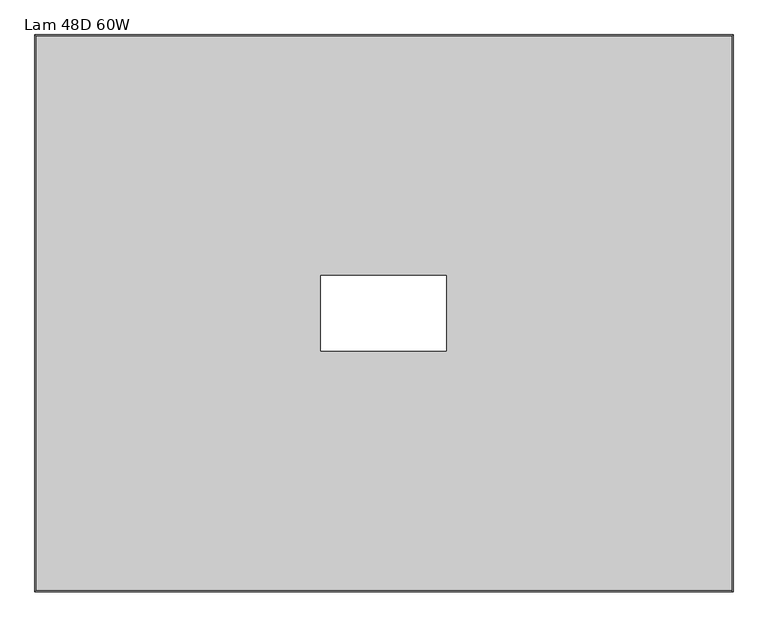
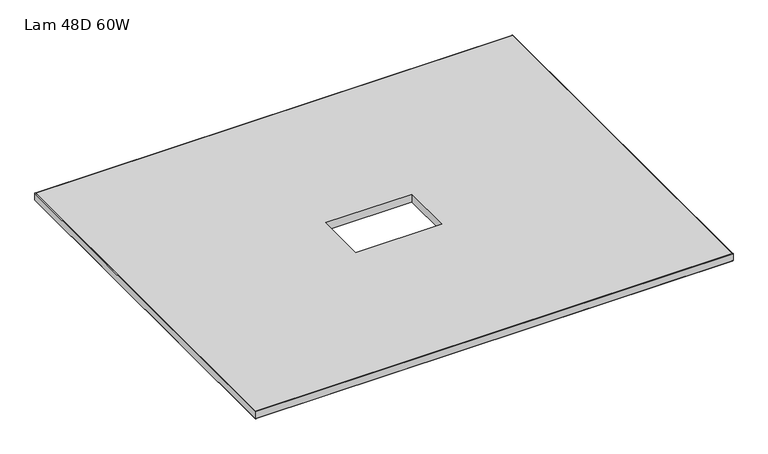
"""IFC4 building model written with IfcOpenShell, lengths in millimetres: furniture geometry, Lam 48D 60W."""

from ifc_helpers import new_model, si_unit, frame, origin, place, context, project, spatial, polyline, ellipse_curve, outline, extrude, source, transform, mapped, element, save
from ifc_brep_helpers import plane_surface, cylinder_surface, advanced_brep


def lam_48d_60w_8c9e048d(model_context):
    return source(origin(), model_context, "Body", "SolidModel", [
        advanced_brep(
        [(-397.0, 604.8248, 723.9), (-397.0, 604.8248, 698.5), (1119.3518, 604.8248, 698.5), (1119.3518, 604.8248, 723.9), (1119.3518, -604.8248, 698.5), (1119.3518, -604.8248, 723.9), (-397.0, -604.8248, 698.5), (-397.0, -604.8248, 723.9), (-398.6002, 606.425, 700.1002), (-398.6002, 606.425, 722.2998), (1120.952, 606.425, 722.2998), (1120.952, 606.425, 700.1002), (1120.952, -606.425, 722.2998), (1120.952, -606.425, 700.1002), (-398.6002, -606.425, 722.2998), (-398.6002, -606.425, 700.1002)],
        [
            (0, 1),
            (1, 2),
            (2, 3),
            (3, 0),
            (2, 4),
            (4, 5),
            (5, 3),
            (4, 6),
            (6, 7),
            (7, 5),
            (6, 1),
            (0, 7),
            (8, 9),
            (9, 10),
            (10, 11),
            (11, 8),
            (10, 12),
            (12, 13),
            (13, 11),
            (12, 14),
            (14, 15),
            (15, 13),
            (14, 9),
            (8, 15),
            (9, 0, ellipse_curve(frame((-397.0, 604.8248, 722.2998), z_axis=(0.7071067811865475, 0.7071067811865475, 0.0), x_axis=(-0.7071067811865476, 0.7071067811865474, 0.0)), 2.2630245, 1.6002)),
            (3, 10, ellipse_curve(frame((1119.3518, 604.8248, 722.2998), z_axis=(-0.7071067811865475, 0.7071067811865475, 0.0), x_axis=(-0.7071067811865476, -0.7071067811865474, 0.0)), 2.2630245, 1.6002)),
            (1, 8, ellipse_curve(frame((-397.0, 604.8248, 700.1002), z_axis=(0.7071067811865475, 0.7071067811865475, 0.0), x_axis=(-0.7071067811865476, 0.7071067811865474, 0.0)), 2.2630245, 1.6002)),
            (11, 2, ellipse_curve(frame((1119.3518, 604.8248, 700.1002), z_axis=(-0.7071067811865475, 0.7071067811865475, 0.0), x_axis=(-0.7071067811865476, -0.7071067811865474, 0.0)), 2.2630245, 1.6002)),
            (5, 12, ellipse_curve(frame((1119.3518, -604.8248, 722.2998), z_axis=(0.7071067811865475, 0.7071067811865475, 0.0), x_axis=(-0.7071067811865474, 0.7071067811865476, 0.0)), 2.2630245, 1.6002)),
            (13, 4, ellipse_curve(frame((1119.3518, -604.8248, 700.1002), z_axis=(0.7071067811865475, 0.7071067811865475, 0.0), x_axis=(-0.7071067811865474, 0.7071067811865476, 0.0)), 2.2630245, 1.6002)),
            (7, 14, ellipse_curve(frame((-397.0, -604.8248, 722.2998), z_axis=(0.7071067811865475, -0.7071067811865475, 0.0), x_axis=(0.7071067811865476, 0.7071067811865474, 0.0)), 2.2630245, 1.6002)),
            (15, 6, ellipse_curve(frame((-397.0, -604.8248, 700.1002), z_axis=(0.7071067811865475, -0.7071067811865475, 0.0), x_axis=(0.7071067811865476, 0.7071067811865474, 0.0)), 2.2630245, 1.6002)),
        ],
        [
            plane_surface(frame((-397.0, 604.8248, 698.5), z_axis=(0.0, -1.0, 0.0), x_axis=(1.0, 0.0, 0.0))),
            plane_surface(frame((1119.3518, 604.8248, 698.5), z_axis=(-1.0, 0.0, 0.0), x_axis=(0.0, -1.0, 0.0))),
            plane_surface(frame((1119.3518, -604.8248, 698.5), z_axis=(0.0, 1.0, 0.0), x_axis=(-1.0, 0.0, 0.0))),
            plane_surface(frame((-397.0, -604.8248, 698.5), z_axis=(1.0, 0.0, 0.0), x_axis=(0.0, 1.0, 0.0))),
            plane_surface(frame((-398.6002, 606.425, 722.2998), z_axis=(0.0, 1.0, 0.0), x_axis=(1.0, 0.0, 0.0))),
            plane_surface(frame((1120.952, 606.425, 722.2998), z_axis=(1.0, 0.0, 0.0), x_axis=(0.0, -1.0, 0.0))),
            plane_surface(frame((1120.952, -606.425, 722.2998), z_axis=(0.0, -1.0, 0.0), x_axis=(-1.0, 0.0, 0.0))),
            plane_surface(frame((-398.6002, -606.425, 722.2998), z_axis=(-1.0, 0.0, 0.0), x_axis=(0.0, 1.0, 0.0))),
            cylinder_surface(frame((-397.0, 604.8248, 722.2998), z_axis=(-1.0, 0.0, 0.0), x_axis=(0.0, -1.0, 0.0)), 1.6002),
            cylinder_surface(frame((-397.0, 604.8248, 700.1002), z_axis=(-1.0, 0.0, 0.0), x_axis=(0.0, -1.0, 0.0)), 1.6002),
            cylinder_surface(frame((1119.3518, 604.8248, 722.2998), z_axis=(0.0, 1.0, 0.0), x_axis=(-1.0, 0.0, 0.0)), 1.6002),
            cylinder_surface(frame((1119.3518, 604.8248, 700.1002), z_axis=(0.0, 1.0, 0.0), x_axis=(-1.0, 0.0, 0.0)), 1.6002),
            cylinder_surface(frame((1119.3518, -604.8248, 722.2998), z_axis=(1.0, 0.0, 0.0), x_axis=(0.0, 1.0, 0.0)), 1.6002),
            cylinder_surface(frame((1119.3518, -604.8248, 700.1002), z_axis=(1.0, 0.0, 0.0), x_axis=(0.0, 1.0, 0.0)), 1.6002),
            cylinder_surface(frame((-397.0, -604.8248, 722.2998), z_axis=(0.0, -1.0, 0.0), x_axis=(1.0, 0.0, 0.0)), 1.6002),
            cylinder_surface(frame((-397.0, -604.8248, 700.1002), z_axis=(0.0, -1.0, 0.0), x_axis=(1.0, 0.0, 0.0)), 1.6002),
        ],
        [
            (0, [[1, 2, 3, 4]]),
            (1, [[-3, 5, 6, 7]]),
            (2, [[-6, 8, 9, 10]]),
            (3, [[-9, 11, -1, 12]]),
            (4, [[13, 14, 15, 16]]),
            (5, [[-15, 17, 18, 19]]),
            (6, [[-18, 20, 21, 22]]),
            (7, [[-21, 23, -13, 24]]),
            (8, [[25, -4, 26, -14]]),
            (9, [[27, -16, 28, -2]]),
            (10, [[-26, -7, 29, -17]]),
            (11, [[-28, -19, 30, -5]]),
            (12, [[-29, -10, 31, -20]]),
            (13, [[-30, -22, 32, -8]]),
            (14, [[-31, -12, -25, -23]]),
            (15, [[-32, -24, -27, -11]]),
        ],
    ),
        extrude(outline(polyline([(1119.3518, 604.8248), (1119.3518, -604.8248), (-397.0, -604.8248), (-397.0, 604.8248), (1119.3518, 604.8248)]), holes=[polyline([(497.001, 81.915), (223.951, 81.915), (223.951, -81.915), (497.001, -81.915), (497.001, 81.915)])]), frame((0.0, 0.0, 698.5), z_axis=(0.0, 0.0, 1.0), x_axis=(1.0, 0.0, 0.0)), (0.0, 0.0, 1.0), 25.4),
    ])


if __name__ == "__main__":
    model = new_model("IFC4")
    model_context = context("Model", 3, world=origin())
    ifc_project = project(units=[si_unit("LENGTHUNIT", "METRE", prefix="MILLI")], contexts=[model_context])
    site = spatial("IfcSite", under=ifc_project)
    building = spatial("IfcBuilding", under=site)
    placement = place(None, origin())
    lam_48d_60w_shape = lam_48d_60w_8c9e048d(model_context)
    element("IfcFurniture", 1, ObjectType="Lam 48D 60W", at=placement, inside=building, context=model_context, shape_type="MappedRepresentation", body=[
        mapped(lam_48d_60w_shape, transform((0.0, 0.0, 0.0), x_axis=(1.0, 0.0, 0.0), y_axis=(0.0, 1.0, 0.0), z_axis=(0.0, 0.0, 1.0))),
    ])
    save(model, "model.ifc")
